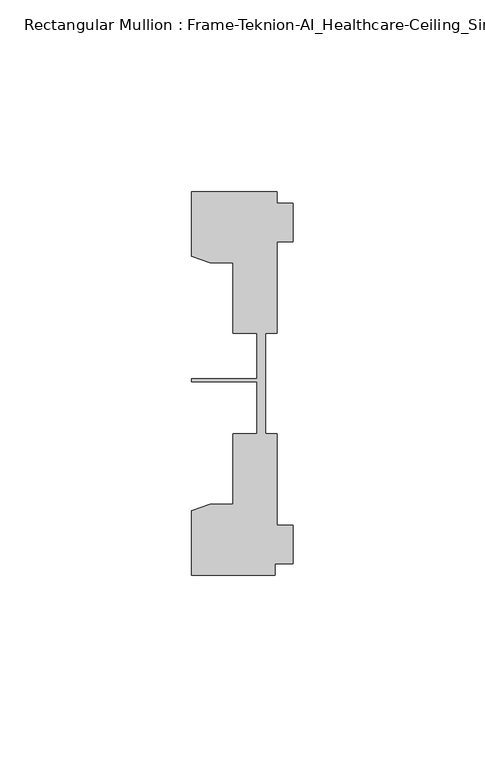
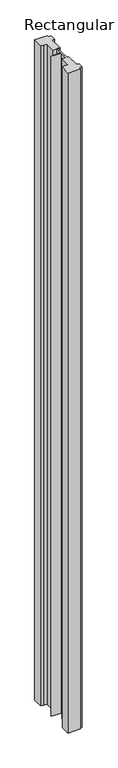
"""IFC4 building model written with IfcOpenShell, lengths in millimetres: member geometry, Rectangular Mullion : Frame-Teknion-AI_Healthcare-Ceiling_Single_Channel."""

from ifc_helpers import new_model, si_unit, frame, origin, place, context, project, spatial, polyline, outline, extrude, source, transform, mapped, element, save


def rectangular_mullion_frame_teknion_ai_healthcare_ceiling_6a4f33ca(model_context):
    return source(origin(), model_context, "Body", "SweptSolid", [
        extrude(outline(polyline([(-26.4921999, -34.0201677), (-21.6625199, -32.2880982), (-15.6737764, -32.2880982), (-15.6737764, -13.9110722), (-9.4507761, -13.9110722), (-9.4507761, -0.4036528), (-26.4921999, -0.4036528), (-26.4921999, 0.4036528), (-9.4507761, 0.4036528), (-9.4507761, 12.2509301), (-15.6737764, 12.2509301), (-15.6737764, 30.6279561), (-21.6625199, 30.6279561), (-26.4921999, 32.3600207), (-26.4921999, 49.1699293), (-4.2672007, 49.1699293), (-4.2672007, 46.1219322), (0.0, 46.1219322), (0.0, 36.1219249), (-4.2672007, 36.1219249), (-4.2672007, 12.2509301), (-7.1647766, 12.2509301), (-7.1647766, -0.0814804), (-7.1647766, -13.9110722), (-4.2672007, -13.9110722), (-4.2672007, -37.7820716), (0.0, -37.7820716), (0.0, -47.782071), (-4.7752002, -47.782071), (-4.7752002, -50.8315128), (-26.4921999, -50.8315128), (-26.4921999, -34.0201677)])), frame((0.0, 0.0, -1210.2924882), z_axis=(0.0, 0.0, 1.0), x_axis=(1.0, 0.0, 0.0)), (0.0, 0.0, 1.0), 1210.2924882),
    ])


if __name__ == "__main__":
    model = new_model("IFC4")
    model_context = context("Model", 3, world=origin())
    ifc_project = project(units=[si_unit("LENGTHUNIT", "METRE", prefix="MILLI")], contexts=[model_context])
    site = spatial("IfcSite", under=ifc_project)
    building = spatial("IfcBuilding", under=site)
    placement = place(None, origin())
    rectangular_mullion_frame_teknion_ai_healthcare_ceiling_shape = rectangular_mullion_frame_teknion_ai_healthcare_ceiling_6a4f33ca(model_context)
    element("IfcMember", 1, ObjectType="Rectangular Mullion : Frame-Teknion-AI_Healthcare-Ceiling_Single_Channel", at=placement, inside=building, context=model_context, shape_type="MappedRepresentation", body=[
        mapped(rectangular_mullion_frame_teknion_ai_healthcare_ceiling_shape, transform((0.0, 0.0, 0.0), x_axis=(1.0, 0.0, 0.0), y_axis=(0.0, 1.0, 0.0), z_axis=(0.0, 0.0, 1.0))),
    ])
    save(model, "model.ifc")
